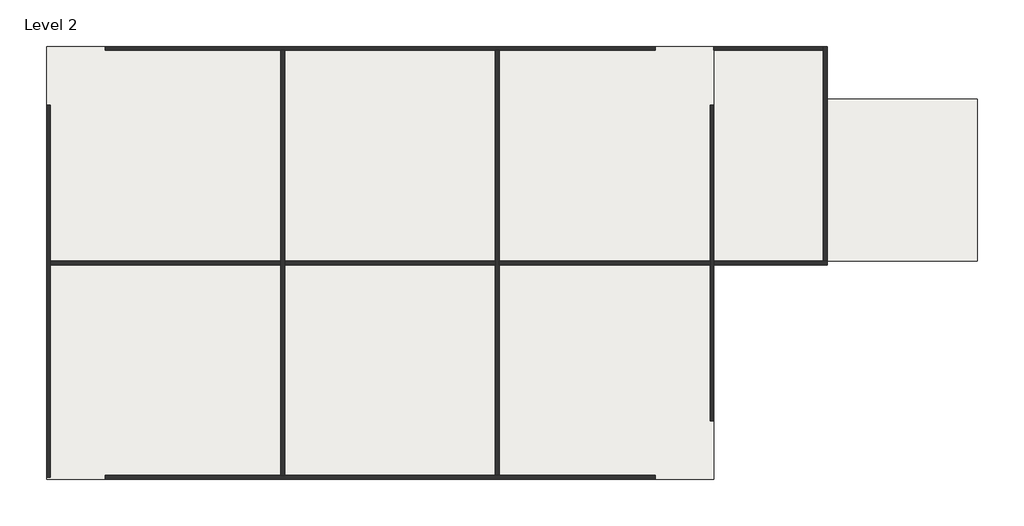
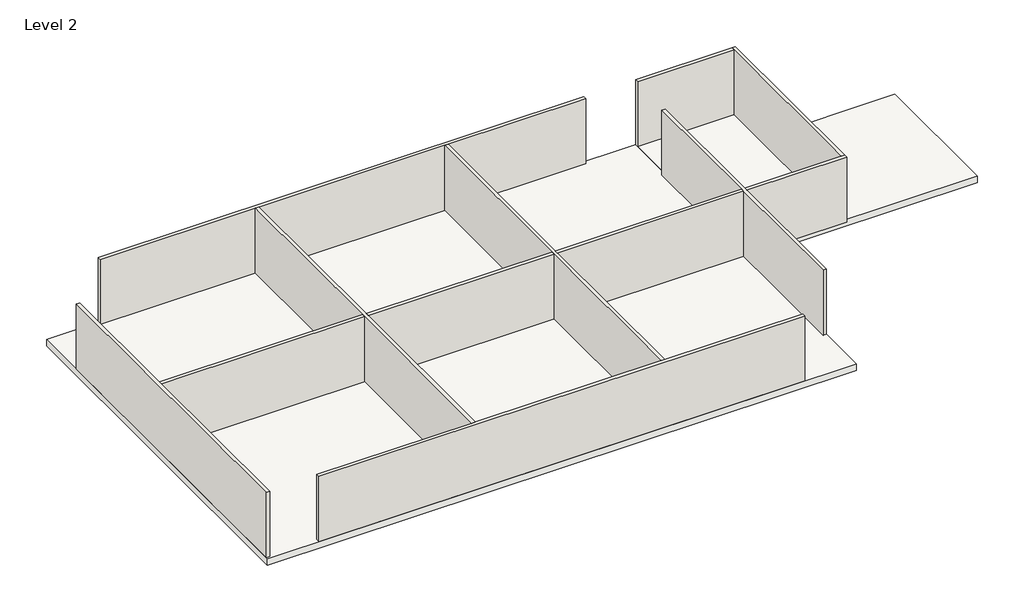
# One storey: 10 walls, 2 slabs.
"""IFC4 building model written with IfcOpenShell, lengths in millimetres."""

from ifc_helpers import new_model, si_unit, frame, origin, place, context, project, spatial, polyline, outline, extrude, faceted_brep, element, save

model = new_model("IFC4")

# Units and contexts
model_context = context("Model", 3, world=origin())
ifc_project = project(units=[si_unit("LENGTHUNIT", "METRE", prefix="MILLI")], contexts=[model_context])

# Site, building, storey
site = spatial("IfcSite", under=ifc_project)
building = spatial("IfcBuilding", under=site)
storey = spatial("IfcBuildingStorey", under=building, Name="Level 2", Elevation=4000.0)

# Slabs
placement = place(None, origin())
element("IfcSlab", 1, ObjectType="Generic Floor - 400mm", at=placement, inside=storey, context=model_context, shape_type="SweptSolid", body=[
    extrude(outline(polyline([(-15986.4278611, 6724.7373845), (18213.5721389, 6724.7373845), (18213.5721389, -15475.2626155), (-15986.4278611, -15475.2626155), (-15986.4278611, 6724.7373845)])), frame((0.0, 0.0, 3600.0), z_axis=(0.0, 0.0, 1.0), x_axis=(1.0, 0.0, 0.0)), (0.0, 0.0, 1.0), 400.0),
])
element("IfcSlab", 2, ObjectType="Generic Floor - 400mm", at=placement, inside=storey, context=model_context, shape_type="SweptSolid", body=[
    extrude(outline(polyline([(23813.5721389, 6524.7373845), (23813.5721389, 4024.7373845), (31713.5721389, 4024.7373845), (31713.5721389, -4275.2626155), (18213.5721389, -4275.2626155), (18213.5721389, 6524.7373845), (23813.5721389, 6524.7373845)])), frame((0.0, 0.0, 3600.0), z_axis=(0.0, 0.0, 1.0), x_axis=(1.0, 0.0, 0.0)), (0.0, 0.0, 1.0), 400.0),
])

# Walls
element("IfcWall", 3, ObjectType="Generic - 200mm", at=placement, inside=storey, context=model_context, shape_type="Brep", body=[
    faceted_brep([(-12986.4278611, 6524.7373845, 4000.0), (-3986.4278611, 6524.7373845, 4000.0), (-3786.4278611, 6524.7373845, 4000.0), (7013.5721389, 6524.7373845, 4000.0), (7213.5721389, 6524.7373845, 4000.0), (15213.5721389, 6524.7373845, 4000.0), (15213.5721389, 6524.7373845, 8000.0), (7213.5721389, 6524.7373845, 8000.0), (7013.5721389, 6524.7373845, 8000.0), (-3786.4278611, 6524.7373845, 8000.0), (-3986.4278611, 6524.7373845, 8000.0), (-12986.4278611, 6524.7373845, 8000.0), (-12986.4278611, 6724.7373845, 4000.0), (-12986.4278611, 6724.7373845, 8000.0), (15213.5721389, 6724.7373845, 8000.0), (15213.5721389, 6724.7373845, 4000.0)], [[[0, 1, 2, 3, 4, 5, 6, 7, 8, 9, 10, 11]], [[12, 13, 14, 15]], [[5, 4, 3, 2, 1, 0, 12, 15]], [[6, 5, 15, 14]], [[11, 10, 9, 8, 7, 6, 14, 13]], [[0, 11, 13, 12]]]),
])
element("IfcWall", 4, ObjectType="Generic - 200mm", at=placement, inside=storey, context=model_context, shape_type="Brep", body=[
    faceted_brep([(-15786.4278611, -15375.2626155, 4000.0), (-15786.4278611, -4475.2626155, 4000.0), (-15786.4278611, -4275.2626155, 4000.0), (-15786.4278611, 3724.7373845, 4000.0), (-15786.4278611, 3724.7373845, 8000.0), (-15786.4278611, -4275.2626155, 8000.0), (-15786.4278611, -4475.2626155, 8000.0), (-15786.4278611, -15375.2626155, 8000.0), (-15986.4278611, -15375.2626155, 4000.0), (-15986.4278611, -15375.2626155, 8000.0), (-15986.4278611, 3724.7373845, 8000.0), (-15986.4278611, 3724.7373845, 4000.0)], [[[0, 1, 2, 3, 4, 5, 6, 7]], [[8, 9, 10, 11]], [[3, 2, 1, 0, 8, 11]], [[4, 3, 11, 10]], [[7, 6, 5, 4, 10, 9]], [[0, 7, 9, 8]]]),
])
element("IfcWall", 5, ObjectType="Generic - 200mm", at=placement, inside=storey, context=model_context, shape_type="Brep", body=[
    faceted_brep([(15213.5721389, -15275.2626155, 4000.0), (7213.5721389, -15275.2626155, 4000.0), (7013.5721389, -15275.2626155, 4000.0), (-3786.4278611, -15275.2626155, 4000.0), (-3986.4278611, -15275.2626155, 4000.0), (-12986.4278611, -15275.2626155, 4000.0), (-12986.4278611, -15275.2626155, 8000.0), (-3986.4278611, -15275.2626155, 8000.0), (-3786.4278611, -15275.2626155, 8000.0), (7013.5721389, -15275.2626155, 8000.0), (7213.5721389, -15275.2626155, 8000.0), (15213.5721389, -15275.2626155, 8000.0), (15213.5721389, -15475.2626155, 4000.0), (15213.5721389, -15475.2626155, 8000.0), (-12986.4278611, -15475.2626155, 8000.0), (-12986.4278611, -15475.2626155, 4000.0)], [[[0, 1, 2, 3, 4, 5, 6, 7, 8, 9, 10, 11]], [[12, 13, 14, 15]], [[5, 4, 3, 2, 1, 0, 12, 15]], [[6, 5, 15, 14]], [[11, 10, 9, 8, 7, 6, 14, 13]], [[0, 11, 13, 12]]]),
])
element("IfcWall", 6, ObjectType="Generic - 200mm", at=placement, inside=storey, context=model_context, shape_type="Brep", body=[
    faceted_brep([(18013.5721389, 3724.7373845, 4000.0), (18013.5721389, -4275.2626155, 4000.0), (18013.5721389, -4475.2626155, 4000.0), (18013.5721389, -12475.2626155, 4000.0), (18013.5721389, -12475.2626155, 8000.0), (18013.5721389, -4475.2626155, 8000.0), (18013.5721389, -4275.2626155, 8000.0), (18013.5721389, 3724.7373845, 8000.0), (18213.5721389, 3724.7373845, 4000.0), (18213.5721389, 3724.7373845, 8000.0), (18213.5721389, -4275.2626155, 8000.0), (18213.5721389, -4475.2626155, 8000.0), (18213.5721389, -12475.2626155, 8000.0), (18213.5721389, -12475.2626155, 4000.0), (18213.5721389, -4475.2626155, 4000.0), (18213.5721389, -4275.2626155, 4000.0)], [[[0, 1, 2, 3, 4, 5, 6, 7]], [[8, 9, 10, 11, 12, 13, 14, 15]], [[3, 2, 1, 0, 8, 15, 14, 13]], [[4, 3, 13, 12]], [[7, 6, 5, 4, 12, 11, 10, 9]], [[0, 7, 9, 8]]]),
])
element("IfcWall", 7, ObjectType="Generic - 200mm", at=placement, inside=storey, context=model_context, shape_type="Brep", body=[
    faceted_brep([(-3986.4278611, 6524.7373845, 4000.0), (-3986.4278611, -4275.2626155, 4000.0), (-3986.4278611, -4475.2626155, 4000.0), (-3986.4278611, -15275.2626155, 4000.0), (-3986.4278611, -15275.2626155, 8000.0), (-3986.4278611, -4475.2626155, 8000.0), (-3986.4278611, -4275.2626155, 8000.0), (-3986.4278611, 6524.7373845, 8000.0), (-3786.4278611, 6524.7373845, 4000.0), (-3786.4278611, 6524.7373845, 8000.0), (-3786.4278611, -4275.2626155, 8000.0), (-3786.4278611, -4475.2626155, 8000.0), (-3786.4278611, -15275.2626155, 8000.0), (-3786.4278611, -15275.2626155, 4000.0), (-3786.4278611, -4475.2626155, 4000.0), (-3786.4278611, -4275.2626155, 4000.0)], [[[0, 1, 2, 3, 4, 5, 6, 7]], [[8, 9, 10, 11, 12, 13, 14, 15]], [[3, 2, 1, 0, 8, 15, 14, 13]], [[7, 6, 5, 4, 12, 11, 10, 9]], [[0, 7, 9, 8]], [[4, 3, 13, 12]]]),
])
element("IfcWall", 8, ObjectType="Generic - 200mm", at=placement, inside=storey, context=model_context, shape_type="Brep", body=[
    faceted_brep([(7013.5721389, 6524.7373845, 4000.0), (7013.5721389, -4275.2626155, 4000.0), (7013.5721389, -4475.2626155, 4000.0), (7013.5721389, -15275.2626155, 4000.0), (7013.5721389, -15275.2626155, 8000.0), (7013.5721389, -4475.2626155, 8000.0), (7013.5721389, -4275.2626155, 8000.0), (7013.5721389, 6524.7373845, 8000.0), (7213.5721389, 6524.7373845, 4000.0), (7213.5721389, 6524.7373845, 8000.0), (7213.5721389, -4275.2626155, 8000.0), (7213.5721389, -4475.2626155, 8000.0), (7213.5721389, -15275.2626155, 8000.0), (7213.5721389, -15275.2626155, 4000.0), (7213.5721389, -4475.2626155, 4000.0), (7213.5721389, -4275.2626155, 4000.0)], [[[0, 1, 2, 3, 4, 5, 6, 7]], [[8, 9, 10, 11, 12, 13, 14, 15]], [[3, 2, 1, 0, 8, 15, 14, 13]], [[7, 6, 5, 4, 12, 11, 10, 9]], [[0, 7, 9, 8]], [[4, 3, 13, 12]]]),
])
element("IfcWall", 9, ObjectType="Generic - 200mm", at=placement, inside=storey, context=model_context, shape_type="SweptSolid", body=[
    extrude(outline(polyline([(-15786.4278611, -4475.2626155), (-15786.4278611, -4275.2626155), (-3986.4278611, -4275.2626155), (-3986.4278611, -4475.2626155), (-15786.4278611, -4475.2626155)])), frame((0.0, 0.0, 4000.0), z_axis=(0.0, 0.0, 1.0), x_axis=(1.0, 0.0, 0.0)), (0.0, 0.0, 1.0), 4000.0),
    extrude(outline(polyline([(18013.5721389, -4275.2626155), (18013.5721389, -4475.2626155), (7213.5721389, -4475.2626155), (7213.5721389, -4275.2626155), (18013.5721389, -4275.2626155)])), frame((0.0, 0.0, 4000.0), z_axis=(0.0, 0.0, 1.0), x_axis=(1.0, 0.0, 0.0)), (0.0, 0.0, 1.0), 4000.0),
    extrude(outline(polyline([(-3786.4278611, -4475.2626155), (-3786.4278611, -4275.2626155), (7013.5721389, -4275.2626155), (7013.5721389, -4475.2626155), (-3786.4278611, -4475.2626155)])), frame((0.0, 0.0, 4000.0), z_axis=(0.0, 0.0, 1.0), x_axis=(1.0, 0.0, 0.0)), (0.0, 0.0, 1.0), 4000.0),
])
element("IfcWall", 10, ObjectType="Generic - 200mm", at=placement, inside=storey, context=model_context, shape_type="Brep", body=[
    faceted_brep([(18213.5721389, -4475.2626155, 4000.0), (24013.5721389, -4475.2626155, 4000.0), (24013.5721389, -4475.2626155, 8000.0), (18213.5721389, -4475.2626155, 8000.0), (18213.5721389, -4275.2626155, 4000.0), (18213.5721389, -4275.2626155, 8000.0), (23813.5721389, -4275.2626155, 8000.0), (24013.5721389, -4275.2626155, 8000.0), (24013.5721389, -4275.2626155, 4000.0), (23813.5721389, -4275.2626155, 4000.0)], [[[0, 1, 2, 3]], [[4, 5, 6, 7, 8, 9]], [[1, 0, 4, 9, 8]], [[3, 2, 7, 6, 5]], [[2, 1, 8, 7]], [[0, 3, 5, 4]]]),
])
element("IfcWall", 11, ObjectType="Generic - 200mm", at=placement, inside=storey, context=model_context, shape_type="Brep", body=[
    faceted_brep([(24013.5721389, -4275.2626155, 4000.0), (24013.5721389, 6724.7373845, 4000.0), (24013.5721389, 6724.7373845, 8000.0), (24013.5721389, -4275.2626155, 8000.0), (23813.5721389, -4275.2626155, 4000.0), (23813.5721389, -4275.2626155, 8000.0), (23813.5721389, 6524.7373845, 8000.0), (23813.5721389, 6724.7373845, 8000.0), (23813.5721389, 6724.7373845, 4000.0), (23813.5721389, 6524.7373845, 4000.0)], [[[0, 1, 2, 3]], [[4, 5, 6, 7, 8, 9]], [[1, 0, 4, 9, 8]], [[3, 2, 7, 6, 5]], [[0, 3, 5, 4]], [[2, 1, 8, 7]]]),
])
element("IfcWall", 12, ObjectType="Generic - 200mm", at=placement, inside=storey, context=model_context, shape_type="SweptSolid", body=[
    extrude(outline(polyline([(18213.5721389, 6724.7373845), (23813.5721389, 6724.7373845), (23813.5721389, 6524.7373845), (18213.5721389, 6524.7373845), (18213.5721389, 6724.7373845)])), frame((0.0, 0.0, 4000.0), z_axis=(0.0, 0.0, 1.0), x_axis=(1.0, 0.0, 0.0)), (0.0, 0.0, 1.0), 4000.0),
])

save(model, "model.ifc")
